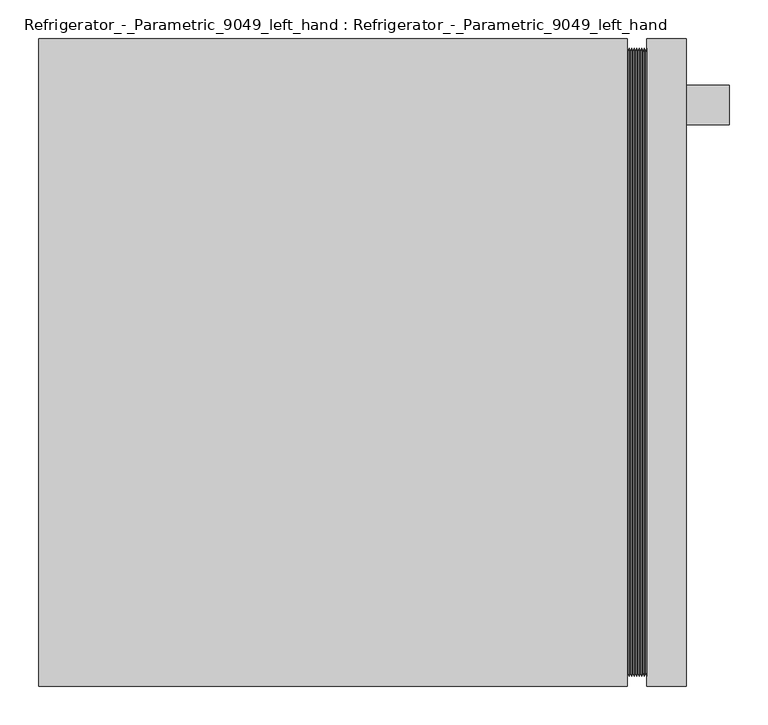
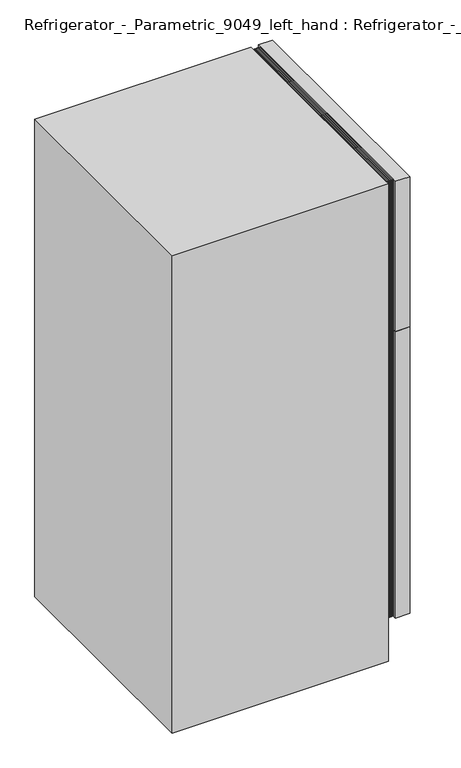
"""IFC4 building model written with IfcOpenShell, lengths in millimetres: proxy geometry, Refrigerator_-_Parametric_9049_left_hand : Refrigerator_-_Parametric_9049_left_hand."""

from ifc_helpers import new_model, si_unit, point, frame, frame_2d, origin, place, context, project, spatial, polyline, circle_curve, trimmed, segment, composite_curve, outline, extrude, faceted_brep, source, transform, mapped, element, save


def refrigerator_parametric_9049_left_hand_refrigerator_7113b5be(model_context):
    return source(origin(), model_context, "Body", "SolidModel", [
        faceted_brep([(762.0, 0.0, 1778.0), (762.0, 838.2, 1778.0), (0.0, 838.2, 1778.0), (0.0, 0.0, 1778.0), (762.0, 0.0, 0.0), (0.0, 0.0, 0.0), (0.0, 838.2, 0.0), (762.0, 838.2, 0.0), (762.0, 38.1, 1193.8), (762.0, 800.1, 1193.8), (762.0, 800.1, 177.8), (762.0, 38.1, 177.8), (38.1, 38.1, 1193.8), (38.1, 800.1, 1193.8), (38.1, 800.1, 177.8), (38.1, 38.1, 177.8)], [[[0, 1, 2, 3]], [[4, 5, 6, 7]], [[0, 3, 5, 4]], [[3, 2, 6, 5]], [[2, 1, 7, 6]], [[1, 0, 4, 7], [8, 9, 10, 11]], [[8, 12, 13, 9]], [[10, 14, 15, 11]], [[12, 8, 11, 15]], [[13, 12, 15, 14]], [[9, 13, 14, 10]]]),
        faceted_brep([(762.0, 825.5, 1778.0), (762.747486, 819.366371, 1771.866371), (762.747486, 819.366371, 1225.333629), (762.0, 825.5, 1219.2), (764.3909869, 825.5, 1778.0), (764.3909869, 825.5, 1219.2), (766.0344878, 819.366371, 1771.866371), (766.0344878, 819.366371, 1225.333629), (767.6779888, 825.5, 1778.0), (767.6779888, 825.5, 1219.2), (769.3214897, 819.366371, 1771.866371), (769.3214897, 819.366371, 1225.333629), (770.9649906, 825.5, 1778.0), (770.9649906, 825.5, 1219.2), (772.6084916, 819.366371, 1771.866371), (772.6084916, 819.366371, 1225.333629), (774.2519925, 825.5, 1778.0), (774.2519925, 825.5, 1219.2), (775.8954934, 819.366371, 1771.866371), (775.8954934, 819.366371, 1225.333629), (777.5389944, 825.5, 1778.0), (777.5389944, 825.5, 1219.2), (779.1824953, 819.366371, 1771.866371), (779.1824953, 819.366371, 1225.333629), (780.8259963, 825.5, 1778.0), (780.8259963, 825.5, 1219.2), (782.4694972, 819.366371, 1771.866371), (782.4694972, 819.366371, 1225.333629), (784.1129981, 825.5, 1778.0), (784.1129981, 825.5, 1219.2), (785.7564991, 819.366371, 1771.866371), (785.7564991, 819.366371, 1225.333629), (787.4, 825.5, 1778.0), (787.4, 825.5, 1219.2), (787.4, 800.1, 1752.6), (786.652514, 806.233629, 1758.733629), (786.652514, 806.233629, 1238.466371), (787.4, 800.1, 1244.6), (785.0090131, 800.1, 1752.6), (785.0090131, 800.1, 1244.6), (783.3655122, 806.233629, 1758.733629), (783.3655122, 806.233629, 1238.466371), (781.7220112, 800.1, 1752.6), (781.7220112, 800.1, 1244.6), (780.0785103, 806.233629, 1758.733629), (780.0785103, 806.233629, 1238.466371), (778.4350094, 800.1, 1752.6), (778.4350094, 800.1, 1244.6), (776.7915084, 806.233629, 1758.733629), (776.7915084, 806.233629, 1238.466371), (775.1480075, 800.1, 1752.6), (775.1480075, 800.1, 1244.6), (773.5045066, 806.233629, 1758.733629), (773.5045066, 806.233629, 1238.466371), (771.8610056, 800.1, 1752.6), (771.8610056, 800.1, 1244.6), (770.2175047, 806.233629, 1758.733629), (770.2175047, 806.233629, 1238.466371), (768.5740037, 800.1, 1752.6), (768.5740037, 800.1, 1244.6), (766.9305028, 806.233629, 1758.733629), (766.9305028, 806.233629, 1238.466371), (765.2870019, 800.1, 1752.6), (765.2870019, 800.1, 1244.6), (763.6435009, 806.233629, 1758.733629), (763.6435009, 806.233629, 1238.466371), (762.0, 800.1, 1752.6), (762.0, 800.1, 1244.6), (762.747486, 18.833629, 1225.333629), (762.0, 12.7, 1219.2), (764.3909869, 12.7, 1219.2), (766.0344878, 18.833629, 1225.333629), (767.6779888, 12.7, 1219.2), (769.3214897, 18.833629, 1225.333629), (770.9649906, 12.7, 1219.2), (772.6084916, 18.833629, 1225.333629), (774.2519925, 12.7, 1219.2), (775.8954934, 18.833629, 1225.333629), (777.5389944, 12.7, 1219.2), (779.1824953, 18.833629, 1225.333629), (780.8259963, 12.7, 1219.2), (782.4694972, 18.833629, 1225.333629), (784.1129981, 12.7, 1219.2), (785.7564991, 18.833629, 1225.333629), (787.4, 12.7, 1219.2), (786.652514, 31.966371, 1238.466371), (787.4, 38.1, 1244.6), (785.0090131, 38.1, 1244.6), (783.3655122, 31.966371, 1238.466371), (781.7220112, 38.1, 1244.6), (780.0785103, 31.966371, 1238.466371), (778.4350094, 38.1, 1244.6), (776.7915084, 31.966371, 1238.466371), (775.1480075, 38.1, 1244.6), (773.5045066, 31.966371, 1238.466371), (771.8610056, 38.1, 1244.6), (770.2175047, 31.966371, 1238.466371), (768.5740037, 38.1, 1244.6), (766.9305028, 31.966371, 1238.466371), (765.2870019, 38.1, 1244.6), (763.6435009, 31.966371, 1238.466371), (762.0, 38.1, 1244.6), (762.747486, 18.833629, 1771.866371), (762.0, 12.7, 1778.0), (764.3909869, 12.7, 1778.0), (766.0344878, 18.833629, 1771.866371), (767.6779888, 12.7, 1778.0), (769.3214897, 18.833629, 1771.866371), (770.9649906, 12.7, 1778.0), (772.6084916, 18.833629, 1771.866371), (774.2519925, 12.7, 1778.0), (775.8954934, 18.833629, 1771.866371), (777.5389944, 12.7, 1778.0), (779.1824953, 18.833629, 1771.866371), (780.8259963, 12.7, 1778.0), (782.4694972, 18.833629, 1771.866371), (784.1129981, 12.7, 1778.0), (785.7564991, 18.833629, 1771.866371), (787.4, 12.7, 1778.0), (786.652514, 31.966371, 1758.733629), (787.4, 38.1, 1752.6), (785.0090131, 38.1, 1752.6), (783.3655122, 31.966371, 1758.733629), (781.7220112, 38.1, 1752.6), (780.0785103, 31.966371, 1758.733629), (778.4350094, 38.1, 1752.6), (776.7915084, 31.966371, 1758.733629), (775.1480075, 38.1, 1752.6), (773.5045066, 31.966371, 1758.733629), (771.8610056, 38.1, 1752.6), (770.2175047, 31.966371, 1758.733629), (768.5740037, 38.1, 1752.6), (766.9305028, 31.966371, 1758.733629), (765.2870019, 38.1, 1752.6), (763.6435009, 31.966371, 1758.733629), (762.0, 38.1, 1752.6)], [[[0, 1, 2, 3]], [[1, 4, 5, 2]], [[4, 6, 7, 5]], [[6, 8, 9, 7]], [[8, 10, 11, 9]], [[10, 12, 13, 11]], [[12, 14, 15, 13]], [[14, 16, 17, 15]], [[16, 18, 19, 17]], [[18, 20, 21, 19]], [[20, 22, 23, 21]], [[22, 24, 25, 23]], [[24, 26, 27, 25]], [[26, 28, 29, 27]], [[28, 30, 31, 29]], [[30, 32, 33, 31]], [[34, 35, 36, 37]], [[35, 38, 39, 36]], [[38, 40, 41, 39]], [[40, 42, 43, 41]], [[42, 44, 45, 43]], [[44, 46, 47, 45]], [[46, 48, 49, 47]], [[48, 50, 51, 49]], [[50, 52, 53, 51]], [[52, 54, 55, 53]], [[54, 56, 57, 55]], [[56, 58, 59, 57]], [[58, 60, 61, 59]], [[60, 62, 63, 61]], [[62, 64, 65, 63]], [[64, 66, 67, 65]], [[3, 2, 68, 69]], [[2, 5, 70, 68]], [[5, 7, 71, 70]], [[7, 9, 72, 71]], [[9, 11, 73, 72]], [[11, 13, 74, 73]], [[13, 15, 75, 74]], [[15, 17, 76, 75]], [[17, 19, 77, 76]], [[19, 21, 78, 77]], [[21, 23, 79, 78]], [[23, 25, 80, 79]], [[25, 27, 81, 80]], [[27, 29, 82, 81]], [[29, 31, 83, 82]], [[31, 33, 84, 83]], [[37, 36, 85, 86]], [[36, 39, 87, 85]], [[39, 41, 88, 87]], [[41, 43, 89, 88]], [[43, 45, 90, 89]], [[45, 47, 91, 90]], [[47, 49, 92, 91]], [[49, 51, 93, 92]], [[51, 53, 94, 93]], [[53, 55, 95, 94]], [[55, 57, 96, 95]], [[57, 59, 97, 96]], [[59, 61, 98, 97]], [[61, 63, 99, 98]], [[63, 65, 100, 99]], [[65, 67, 101, 100]], [[69, 68, 102, 103]], [[68, 70, 104, 102]], [[70, 71, 105, 104]], [[71, 72, 106, 105]], [[72, 73, 107, 106]], [[73, 74, 108, 107]], [[74, 75, 109, 108]], [[75, 76, 110, 109]], [[76, 77, 111, 110]], [[77, 78, 112, 111]], [[78, 79, 113, 112]], [[79, 80, 114, 113]], [[80, 81, 115, 114]], [[81, 82, 116, 115]], [[82, 83, 117, 116]], [[83, 84, 118, 117]], [[86, 85, 119, 120]], [[85, 87, 121, 119]], [[87, 88, 122, 121]], [[88, 89, 123, 122]], [[89, 90, 124, 123]], [[90, 91, 125, 124]], [[91, 92, 126, 125]], [[92, 93, 127, 126]], [[93, 94, 128, 127]], [[94, 95, 129, 128]], [[95, 96, 130, 129]], [[96, 97, 131, 130]], [[97, 98, 132, 131]], [[98, 99, 133, 132]], [[99, 100, 134, 133]], [[100, 101, 135, 134]], [[103, 102, 1, 0]], [[102, 104, 4, 1]], [[104, 105, 6, 4]], [[105, 106, 8, 6]], [[106, 107, 10, 8]], [[107, 108, 12, 10]], [[108, 109, 14, 12]], [[109, 110, 16, 14]], [[110, 111, 18, 16]], [[111, 112, 20, 18]], [[112, 113, 22, 20]], [[113, 114, 24, 22]], [[114, 115, 26, 24]], [[115, 116, 28, 26]], [[116, 117, 30, 28]], [[117, 118, 32, 30]], [[32, 118, 84, 33], [37, 86, 120, 34]], [[120, 119, 35, 34]], [[119, 121, 38, 35]], [[121, 122, 40, 38]], [[122, 123, 42, 40]], [[123, 124, 44, 42]], [[124, 125, 46, 44]], [[125, 126, 48, 46]], [[126, 127, 50, 48]], [[127, 128, 52, 50]], [[128, 129, 54, 52]], [[129, 130, 56, 54]], [[130, 131, 58, 56]], [[131, 132, 60, 58]], [[132, 133, 62, 60]], [[133, 134, 64, 62]], [[134, 135, 66, 64]], [[3, 69, 103, 0], [66, 135, 101, 67]]]),
        faceted_brep([(762.0, 825.5, 1219.2), (762.747486, 819.366371, 1213.066371), (762.747486, 819.366371, 158.533629), (762.0, 825.5, 152.4), (764.3909869, 825.5, 1219.2), (764.3909869, 825.5, 152.4), (766.0344878, 819.366371, 1213.066371), (766.0344878, 819.366371, 158.533629), (767.6779888, 825.5, 1219.2), (767.6779888, 825.5, 152.4), (769.3214897, 819.366371, 1213.066371), (769.3214897, 819.366371, 158.533629), (770.9649906, 825.5, 1219.2), (770.9649906, 825.5, 152.4), (772.6084916, 819.366371, 1213.066371), (772.6084916, 819.366371, 158.533629), (774.2519925, 825.5, 1219.2), (774.2519925, 825.5, 152.4), (775.8954934, 819.366371, 1213.066371), (775.8954934, 819.366371, 158.533629), (777.5389944, 825.5, 1219.2), (777.5389944, 825.5, 152.4), (779.1824953, 819.366371, 1213.066371), (779.1824953, 819.366371, 158.533629), (780.8259963, 825.5, 1219.2), (780.8259963, 825.5, 152.4), (782.4694972, 819.366371, 1213.066371), (782.4694972, 819.366371, 158.533629), (784.1129981, 825.5, 1219.2), (784.1129981, 825.5, 152.4), (785.7564991, 819.366371, 1213.066371), (785.7564991, 819.366371, 158.533629), (787.4, 825.5, 1219.2), (787.4, 825.5, 152.4), (787.4, 800.1, 1193.8), (786.652514, 806.233629, 1199.933629), (786.652514, 806.233629, 171.666371), (787.4, 800.1, 177.8), (785.0090131, 800.1, 1193.8), (785.0090131, 800.1, 177.8), (783.3655122, 806.233629, 1199.933629), (783.3655122, 806.233629, 171.666371), (781.7220112, 800.1, 1193.8), (781.7220112, 800.1, 177.8), (780.0785103, 806.233629, 1199.933629), (780.0785103, 806.233629, 171.666371), (778.4350094, 800.1, 1193.8), (778.4350094, 800.1, 177.8), (776.7915084, 806.233629, 1199.933629), (776.7915084, 806.233629, 171.666371), (775.1480075, 800.1, 1193.8), (775.1480075, 800.1, 177.8), (773.5045066, 806.233629, 1199.933629), (773.5045066, 806.233629, 171.666371), (771.8610056, 800.1, 1193.8), (771.8610056, 800.1, 177.8), (770.2175047, 806.233629, 1199.933629), (770.2175047, 806.233629, 171.666371), (768.5740037, 800.1, 1193.8), (768.5740037, 800.1, 177.8), (766.9305028, 806.233629, 1199.933629), (766.9305028, 806.233629, 171.666371), (765.2870019, 800.1, 1193.8), (765.2870019, 800.1, 177.8), (763.6435009, 806.233629, 1199.933629), (763.6435009, 806.233629, 171.666371), (762.0, 800.1, 1193.8), (762.0, 800.1, 177.8), (762.747486, 18.833629, 158.533629), (762.0, 12.7, 152.4), (764.3909869, 12.7, 152.4), (766.0344878, 18.833629, 158.533629), (767.6779888, 12.7, 152.4), (769.3214897, 18.833629, 158.533629), (770.9649906, 12.7, 152.4), (772.6084916, 18.833629, 158.533629), (774.2519925, 12.7, 152.4), (775.8954934, 18.833629, 158.533629), (777.5389944, 12.7, 152.4), (779.1824953, 18.833629, 158.533629), (780.8259963, 12.7, 152.4), (782.4694972, 18.833629, 158.533629), (784.1129981, 12.7, 152.4), (785.7564991, 18.833629, 158.533629), (787.4, 12.7, 152.4), (786.652514, 31.966371, 171.666371), (787.4, 38.1, 177.8), (785.0090131, 38.1, 177.8), (783.3655122, 31.966371, 171.666371), (781.7220112, 38.1, 177.8), (780.0785103, 31.966371, 171.666371), (778.4350094, 38.1, 177.8), (776.7915084, 31.966371, 171.666371), (775.1480075, 38.1, 177.8), (773.5045066, 31.966371, 171.666371), (771.8610056, 38.1, 177.8), (770.2175047, 31.966371, 171.666371), (768.5740037, 38.1, 177.8), (766.9305028, 31.966371, 171.666371), (765.2870019, 38.1, 177.8), (763.6435009, 31.966371, 171.666371), (762.0, 38.1, 177.8), (762.747486, 18.833629, 1213.066371), (762.0, 12.7, 1219.2), (764.3909869, 12.7, 1219.2), (766.0344878, 18.833629, 1213.066371), (767.6779888, 12.7, 1219.2), (769.3214897, 18.833629, 1213.066371), (770.9649906, 12.7, 1219.2), (772.6084916, 18.833629, 1213.066371), (774.2519925, 12.7, 1219.2), (775.8954934, 18.833629, 1213.066371), (777.5389944, 12.7, 1219.2), (779.1824953, 18.833629, 1213.066371), (780.8259963, 12.7, 1219.2), (782.4694972, 18.833629, 1213.066371), (784.1129981, 12.7, 1219.2), (785.7564991, 18.833629, 1213.066371), (787.4, 12.7, 1219.2), (786.652514, 31.966371, 1199.933629), (787.4, 38.1, 1193.8), (785.0090131, 38.1, 1193.8), (783.3655122, 31.966371, 1199.933629), (781.7220112, 38.1, 1193.8), (780.0785103, 31.966371, 1199.933629), (778.4350094, 38.1, 1193.8), (776.7915084, 31.966371, 1199.933629), (775.1480075, 38.1, 1193.8), (773.5045066, 31.966371, 1199.933629), (771.8610056, 38.1, 1193.8), (770.2175047, 31.966371, 1199.933629), (768.5740037, 38.1, 1193.8), (766.9305028, 31.966371, 1199.933629), (765.2870019, 38.1, 1193.8), (763.6435009, 31.966371, 1199.933629), (762.0, 38.1, 1193.8)], [[[0, 1, 2, 3]], [[1, 4, 5, 2]], [[4, 6, 7, 5]], [[6, 8, 9, 7]], [[8, 10, 11, 9]], [[10, 12, 13, 11]], [[12, 14, 15, 13]], [[14, 16, 17, 15]], [[16, 18, 19, 17]], [[18, 20, 21, 19]], [[20, 22, 23, 21]], [[22, 24, 25, 23]], [[24, 26, 27, 25]], [[26, 28, 29, 27]], [[28, 30, 31, 29]], [[30, 32, 33, 31]], [[34, 35, 36, 37]], [[35, 38, 39, 36]], [[38, 40, 41, 39]], [[40, 42, 43, 41]], [[42, 44, 45, 43]], [[44, 46, 47, 45]], [[46, 48, 49, 47]], [[48, 50, 51, 49]], [[50, 52, 53, 51]], [[52, 54, 55, 53]], [[54, 56, 57, 55]], [[56, 58, 59, 57]], [[58, 60, 61, 59]], [[60, 62, 63, 61]], [[62, 64, 65, 63]], [[64, 66, 67, 65]], [[3, 2, 68, 69]], [[2, 5, 70, 68]], [[5, 7, 71, 70]], [[7, 9, 72, 71]], [[9, 11, 73, 72]], [[11, 13, 74, 73]], [[13, 15, 75, 74]], [[15, 17, 76, 75]], [[17, 19, 77, 76]], [[19, 21, 78, 77]], [[21, 23, 79, 78]], [[23, 25, 80, 79]], [[25, 27, 81, 80]], [[27, 29, 82, 81]], [[29, 31, 83, 82]], [[31, 33, 84, 83]], [[37, 36, 85, 86]], [[36, 39, 87, 85]], [[39, 41, 88, 87]], [[41, 43, 89, 88]], [[43, 45, 90, 89]], [[45, 47, 91, 90]], [[47, 49, 92, 91]], [[49, 51, 93, 92]], [[51, 53, 94, 93]], [[53, 55, 95, 94]], [[55, 57, 96, 95]], [[57, 59, 97, 96]], [[59, 61, 98, 97]], [[61, 63, 99, 98]], [[63, 65, 100, 99]], [[65, 67, 101, 100]], [[69, 68, 102, 103]], [[68, 70, 104, 102]], [[70, 71, 105, 104]], [[71, 72, 106, 105]], [[72, 73, 107, 106]], [[73, 74, 108, 107]], [[74, 75, 109, 108]], [[75, 76, 110, 109]], [[76, 77, 111, 110]], [[77, 78, 112, 111]], [[78, 79, 113, 112]], [[79, 80, 114, 113]], [[80, 81, 115, 114]], [[81, 82, 116, 115]], [[82, 83, 117, 116]], [[83, 84, 118, 117]], [[86, 85, 119, 120]], [[85, 87, 121, 119]], [[87, 88, 122, 121]], [[88, 89, 123, 122]], [[89, 90, 124, 123]], [[90, 91, 125, 124]], [[91, 92, 126, 125]], [[92, 93, 127, 126]], [[93, 94, 128, 127]], [[94, 95, 129, 128]], [[95, 96, 130, 129]], [[96, 97, 131, 130]], [[97, 98, 132, 131]], [[98, 99, 133, 132]], [[99, 100, 134, 133]], [[100, 101, 135, 134]], [[103, 102, 1, 0]], [[102, 104, 4, 1]], [[104, 105, 6, 4]], [[105, 106, 8, 6]], [[106, 107, 10, 8]], [[107, 108, 12, 10]], [[108, 109, 14, 12]], [[109, 110, 16, 14]], [[110, 111, 18, 16]], [[111, 112, 20, 18]], [[112, 113, 22, 20]], [[113, 114, 24, 22]], [[114, 115, 26, 24]], [[115, 116, 28, 26]], [[116, 117, 30, 28]], [[117, 118, 32, 30]], [[32, 118, 84, 33], [37, 86, 120, 34]], [[120, 119, 35, 34]], [[119, 121, 38, 35]], [[121, 122, 40, 38]], [[122, 123, 42, 40]], [[123, 124, 44, 42]], [[124, 125, 46, 44]], [[125, 126, 48, 46]], [[126, 127, 50, 48]], [[127, 128, 52, 50]], [[128, 129, 54, 52]], [[129, 130, 56, 54]], [[130, 131, 58, 56]], [[131, 132, 60, 58]], [[132, 133, 62, 60]], [[133, 134, 64, 62]], [[134, 135, 66, 64]], [[3, 69, 103, 0], [66, 135, 101, 67]]]),
        extrude(outline(polyline([(838.2, 0.0), (787.4, 0.0), (787.4, 838.2), (838.2, 838.2), (838.2, 0.0)])), frame((0.0, 0.0, 152.4), z_axis=(0.0, 0.0, 1.0), x_axis=(1.0, 0.0, 0.0)), (0.0, 0.0, 1.0), 1066.8),
        extrude(outline(polyline([(838.2, 0.0), (787.4, 0.0), (787.4, 838.2), (838.2, 838.2), (838.2, 0.0)])), frame((0.0, 0.0, 1219.2), z_axis=(0.0, 0.0, 1.0), x_axis=(1.0, 0.0, 0.0)), (0.0, 0.0, 1.0), 558.8),
        extrude(outline(composite_curve([segment(trimmed(circle_curve(frame_2d((869.5490825, 498.2145126)), 396.081269), [point((666.3490825, 838.2))], [point((1072.7490825, 838.2))], False, "CARTESIAN"), True, "CONTINUOUS"), segment(polyline([(1072.7490825, 838.2), (1069.4913672, 832.7493311)]), True, "CONTINUOUS"), segment(trimmed(circle_curve(frame_2d((869.5490825, 498.2145126)), 389.731269), [point((1069.4913672, 832.7493311))], [point((669.6067977, 832.7493311))], True, "CARTESIAN"), True, "CONTINUOUS"), segment(polyline([(669.6067977, 832.7493311), (666.3490825, 838.2)]), True, "CONTINUOUS")], self_intersect=False)), frame((0.0, 726.9300429, 0.0), z_axis=(0.0, 1.0, 0.0), x_axis=(0.0, 0.0, 1.0)), (0.0, 0.0, 1.0), 50.8),
        extrude(outline(composite_curve([segment(trimmed(circle_curve(frame_2d((1479.1490825, 498.2145126)), 396.081269), [point((1275.9490825, 838.2))], [point((1682.3490825, 838.2))], False, "CARTESIAN"), True, "CONTINUOUS"), segment(polyline([(1682.3490825, 838.2), (1679.0913672, 832.7493311)]), True, "CONTINUOUS"), segment(trimmed(circle_curve(frame_2d((1479.1490825, 498.2145126)), 389.731269), [point((1679.0913672, 832.7493311))], [point((1279.2067977, 832.7493311))], True, "CARTESIAN"), True, "CONTINUOUS"), segment(polyline([(1279.2067977, 832.7493311), (1275.9490825, 838.2)]), True, "CONTINUOUS")], self_intersect=False)), frame((0.0, 726.9300429, 0.0), z_axis=(0.0, 1.0, 0.0), x_axis=(0.0, 0.0, 1.0)), (0.0, 0.0, 1.0), 50.8),
    ])


if __name__ == "__main__":
    model = new_model("IFC4")
    model_context = context("Model", 3, world=origin())
    ifc_project = project(units=[si_unit("LENGTHUNIT", "METRE", prefix="MILLI")], contexts=[model_context])
    site = spatial("IfcSite", under=ifc_project)
    building = spatial("IfcBuilding", under=site)
    placement = place(None, origin())
    refrigerator_parametric_9049_left_hand_refrigerator_shape = refrigerator_parametric_9049_left_hand_refrigerator_7113b5be(model_context)
    element("IfcBuildingElementProxy", 1, Name="Refrigerator_-_Parametric_9049_left_hand : Refrigerator_-_Parametric_9049_left_hand", ObjectType="Refrigerator_-_Parametric_9049_left_hand : Refrigerator_-_Parametric_9049_left_hand", at=placement, inside=building, context=model_context, shape_type="MappedRepresentation", body=[
        mapped(refrigerator_parametric_9049_left_hand_refrigerator_shape, transform((0.0, 0.0, 0.0), x_axis=(1.0, 0.0, 0.0), y_axis=(0.0, 1.0, 0.0), z_axis=(0.0, 0.0, 1.0))),
    ])
    save(model, "model.ifc")
